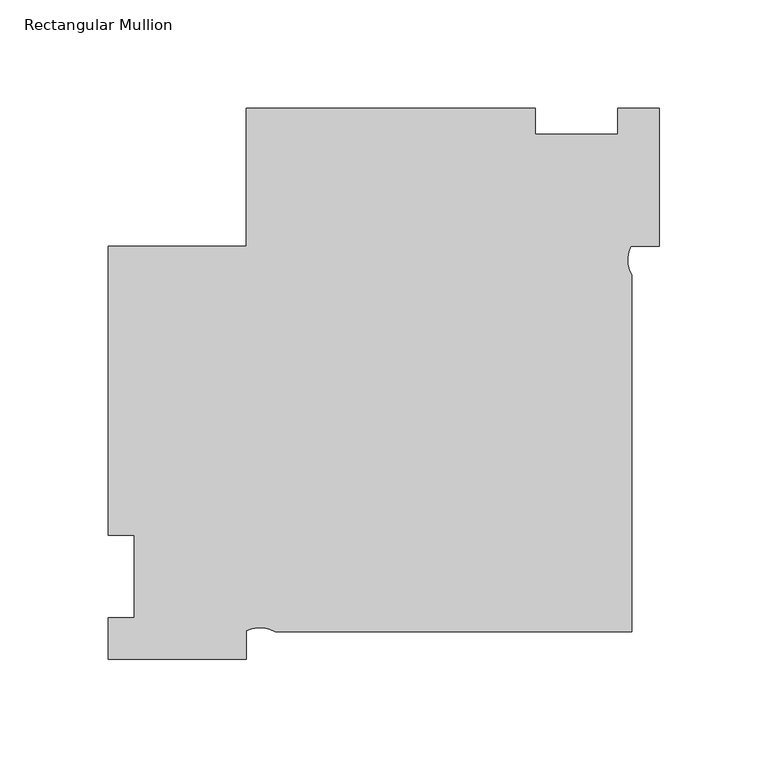
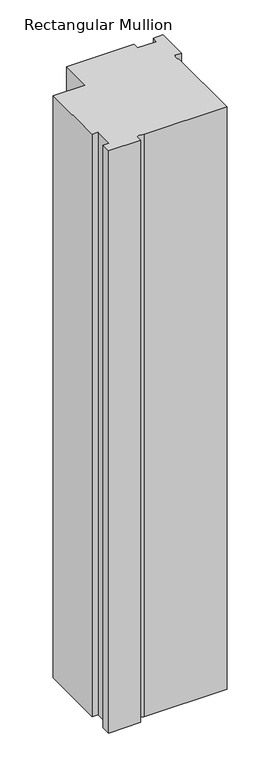
"""IFC4 building model written with IfcOpenShell, lengths in millimetres: member geometry, Rectangular Mullion."""

from ifc_helpers import new_model, si_unit, point, frame, frame_2d, origin, place, context, project, spatial, polyline, circle_curve, trimmed, segment, composite_curve, outline, extrude, source, transform, mapped, element, save


def rectangular_mullion_00aa6efe(model_context):
    return source(origin(), model_context, "Body", "SweptSolid", [
        extrude(outline(composite_curve([segment(polyline([(-254.0, 152.4), (-190.5, 152.4), (-190.5, 215.9), (-57.15, 215.9), (-57.15, 203.9874), (-19.0495158, 203.9874), (-19.0495158, 215.9), (0.0, 215.9), (0.0, 152.4), (-13.0240937, 152.4)]), True, "CONTINUOUS"), segment(trimmed(circle_curve(frame_2d((0.2396756, 146.02739)), 14.7152212), [point((-13.0240937, 152.4))], [point((-12.7, 139.0200702))], True, "CARTESIAN"), True, "CONTINUOUS"), segment(polyline([(-12.7, 139.0200702), (-12.7, -25.4), (-177.1200702, -25.4)]), True, "CONTINUOUS"), segment(trimmed(circle_curve(frame_2d((-184.12739, -38.3396756)), 14.7152212), [point((-177.1200702, -25.4))], [point((-190.5, -25.0759063))], True, "CARTESIAN"), True, "CONTINUOUS"), segment(polyline([(-190.5, -25.0759063), (-190.5, -38.1), (-254.0, -38.1), (-254.0, -19.0504842), (-242.0874, -19.0504842), (-242.0874, 19.05), (-254.0, 19.05), (-254.0, 152.4)]), True, "CONTINUOUS")], self_intersect=False)), frame((0.0, 0.0, -1219.2), z_axis=(0.0, 0.0, 1.0), x_axis=(1.0, 0.0, 0.0)), (0.0, 0.0, 1.0), 1219.2),
    ])


if __name__ == "__main__":
    model = new_model("IFC4")
    model_context = context("Model", 3, world=origin())
    ifc_project = project(units=[si_unit("LENGTHUNIT", "METRE", prefix="MILLI")], contexts=[model_context])
    site = spatial("IfcSite", under=ifc_project)
    building = spatial("IfcBuilding", under=site)
    placement = place(None, origin())
    rectangular_mullion_shape = rectangular_mullion_00aa6efe(model_context)
    element("IfcMember", 1, ObjectType="Rectangular Mullion", at=placement, inside=building, context=model_context, shape_type="MappedRepresentation", body=[
        mapped(rectangular_mullion_shape, transform((0.0, 0.0, 0.0), x_axis=(1.0, 0.0, 0.0), y_axis=(0.0, 1.0, 0.0), z_axis=(0.0, 0.0, 1.0))),
    ])
    save(model, "model.ifc")
